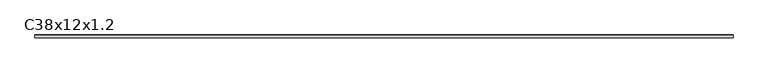
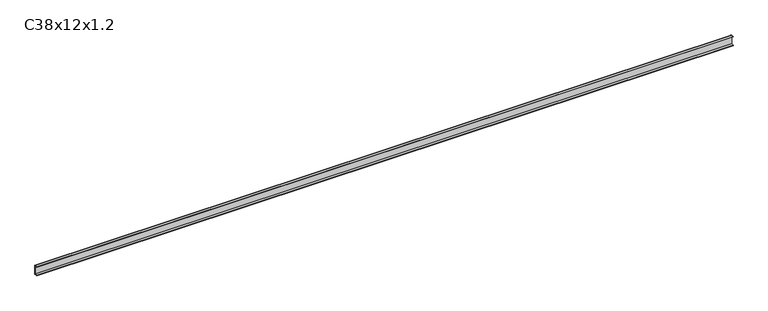
"""IFC4 building model written with IfcOpenShell, lengths in millimetres: proxy geometry, C38x12x1.2."""

from ifc_helpers import new_model, si_unit, point, frame, frame_2d, origin, place, context, project, spatial, polyline, circle_curve, trimmed, segment, composite_curve, outline, extrude, source, transform, mapped, element, save


def c38x12x1_2_c030201f(model_context):
    return source(origin(), model_context, "Body", "SweptSolid", [
        extrude(outline(composite_curve([segment(polyline([(-6.0, 36.8), (-6.0, 38.0), (4.8, 38.0)]), True, "CONTINUOUS"), segment(trimmed(circle_curve(frame_2d((4.8, 36.8)), 1.2), [point((4.8, 38.0))], [point((6.0, 36.8))], False, "CARTESIAN"), True, "CONTINUOUS"), segment(polyline([(6.0, 36.8), (6.0, 1.2)]), True, "CONTINUOUS"), segment(trimmed(circle_curve(frame_2d((4.8, 1.2)), 1.2), [point((6.0, 1.2))], [point((4.8, 0.0))], False, "CARTESIAN"), True, "CONTINUOUS"), segment(polyline([(4.8, 0.0), (-6.0, 0.0), (-6.0, 1.2), (4.8, 1.2), (4.8, 36.8), (-6.0, 36.8)]), True, "CONTINUOUS")], self_intersect=False)), frame((0.0, 0.0, 0.0), z_axis=(1.0, 0.0, 0.0), x_axis=(0.0, 1.0, 0.0)), (0.0, 0.0, 1.0), 2800.0),
    ])


if __name__ == "__main__":
    model = new_model("IFC4")
    model_context = context("Model", 3, world=origin())
    ifc_project = project(units=[si_unit("LENGTHUNIT", "METRE", prefix="MILLI")], contexts=[model_context])
    site = spatial("IfcSite", under=ifc_project)
    building = spatial("IfcBuilding", under=site)
    placement = place(None, origin())
    c38x12x1_2_shape = c38x12x1_2_c030201f(model_context)
    element("IfcBuildingElementProxy", 1, Name="C38x12x1.2", ObjectType="C38x12x1.2", at=placement, inside=building, context=model_context, shape_type="MappedRepresentation", body=[
        mapped(c38x12x1_2_shape, transform((0.0, 0.0, 0.0), x_axis=(1.0, 0.0, 0.0), y_axis=(0.0, 1.0, 0.0), z_axis=(0.0, 0.0, 1.0))),
    ])
    save(model, "model.ifc")
